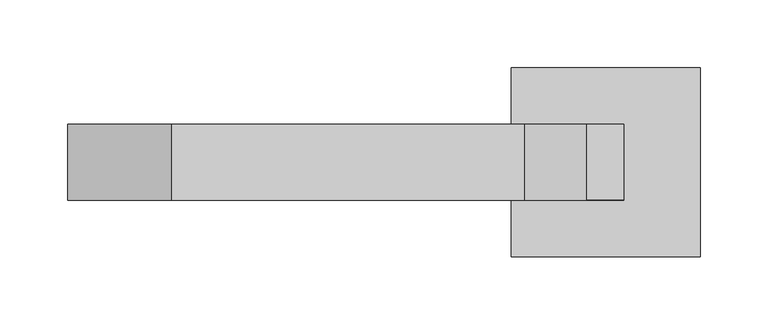
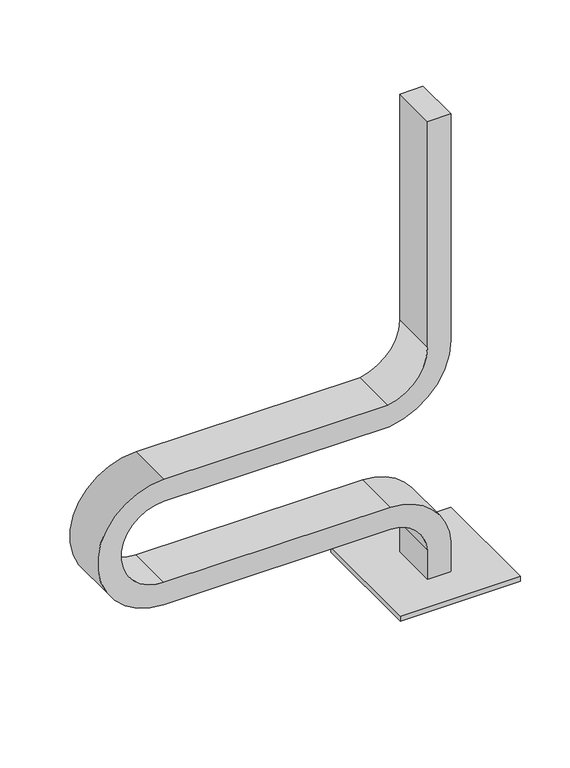
"""IFC4 building model written with IfcOpenShell, lengths in millimetres: furniture geometry."""

from ifc_helpers import new_model, si_unit, point, frame, frame_2d, origin, origin_with_axes, place, context, project, spatial, polyline, circle_curve, trimmed, segment, composite_curve, outline, extrude, source, transform, mapped, element, save
from ifc_brep_helpers import plane_surface, cylinder_surface, revolved_surface, advanced_brep


def furniture_b06c71f0(model_context):
    return source(origin(), model_context, "Body", "SolidModel", [
        extrude(outline(composite_curve([segment(trimmed(circle_curve(frame_2d((663.6014244, 58.0553319)), 4.978544), [point((658.6228804, 58.0553319))], [point((668.5799684, 58.0553319))], False, "CARTESIAN"), True, "CONTINUOUS"), segment(trimmed(circle_curve(frame_2d((663.6014244, 58.0553319)), 4.978544), [point((668.5799684, 58.0553319))], [point((658.6228804, 58.0553319))], False, "CARTESIAN"), True, "CONTINUOUS")], self_intersect=False)), origin_with_axes(), (0.0, 0.0, 1.0), 5.0),
        extrude(outline(composite_curve([segment(trimmed(circle_curve(frame_2d((779.5288601, 58.0553319)), 4.978544), [point((774.5503161, 58.0553319))], [point((784.5074041, 58.0553319))], False, "CARTESIAN"), True, "CONTINUOUS"), segment(trimmed(circle_curve(frame_2d((779.5288601, 58.0553319)), 4.978544), [point((784.5074041, 58.0553319))], [point((774.5503161, 58.0553319))], False, "CARTESIAN"), True, "CONTINUOUS")], self_intersect=False)), origin_with_axes(), (0.0, 0.0, 1.0), 5.0),
        extrude(outline(composite_curve([segment(trimmed(circle_curve(frame_2d((663.6014244, -58.0553319)), 4.978544), [point((658.6228804, -58.0553319))], [point((668.5799684, -58.0553319))], False, "CARTESIAN"), True, "CONTINUOUS"), segment(trimmed(circle_curve(frame_2d((663.6014244, -58.0553319)), 4.978544), [point((668.5799684, -58.0553319))], [point((658.6228804, -58.0553319))], False, "CARTESIAN"), True, "CONTINUOUS")], self_intersect=False)), origin_with_axes(), (0.0, 0.0, 1.0), 5.0),
        extrude(outline(composite_curve([segment(trimmed(circle_curve(frame_2d((779.5288601, -58.0553319)), 4.978544), [point((774.5503161, -58.0553319))], [point((784.5074041, -58.0553319))], False, "CARTESIAN"), True, "CONTINUOUS"), segment(trimmed(circle_curve(frame_2d((779.5288601, -58.0553319)), 4.978544), [point((784.5074041, -58.0553319))], [point((774.5503161, -58.0553319))], False, "CARTESIAN"), True, "CONTINUOUS")], self_intersect=False)), origin_with_axes(), (0.0, 0.0, 1.0), 5.0),
        extrude(outline(polyline([(791.5651422, 70.0), (791.5651422, -70.0), (651.5651422, -70.0), (651.5651422, 70.0), (791.5651422, 70.0)])), frame((0.0, 0.0, 5.0), z_axis=(0.0, 0.0, 1.0), x_axis=(1.0, 0.0, 0.0)), (0.0, 0.0, 1.0), 6.0),
        advanced_brep(
        [(707.4659827, -27.9558153, 11.0), (707.4659827, 27.9558153, 11.0), (734.6579846, 27.9558153, 11.0), (734.6579846, -27.9558153, 11.0), (707.4659827, -27.9558153, 47.0524338), (707.4659827, 27.9558153, 47.0524338), (734.6579846, 27.9558153, 47.8147532), (734.6579846, -27.9558153, 47.8147532), (664.287774, 27.9558153, 87.9015784), (664.287774, -27.9558153, 87.9015784), (664.513913, -27.9558153, 115.0926399), (664.513913, 27.9558153, 115.0926399), (400.0, -27.9558153, 87.9010908), (400.0, 27.9558153, 87.9010908), (400.0, 27.9558153, 115.0930927), (400.0, -27.9558153, 115.0930927), (400.0, 27.9558153, 242.0989092), (400.0, -27.9558153, 242.0989092), (400.0, -27.9558153, 214.9069073), (400.0, 27.9558153, 214.9069073), (661.0306629, -27.9558153, 242.0989092), (661.0306629, 27.9558153, 242.0989092), (663.0352709, 27.9558153, 214.9069073), (663.0352709, -27.9558153, 214.9069073), (707.4662451, 27.9558153, 296.4787195), (707.4662451, -27.9558153, 296.4787195), (734.6577283, 27.9558153, 296.3107738), (707.4659762, 27.9558153, 575.0), (734.6579781, 27.9558153, 575.0), (734.6577283, -27.9558153, 296.3107738), (734.6579781, -27.9558153, 575.0), (707.4659762, -27.9558153, 575.0)],
        [
            (0, 1),
            (1, 2),
            (2, 3),
            (3, 0),
            (0, 4),
            (4, 5),
            (5, 1),
            (2, 6),
            (6, 7),
            (7, 3),
            (8, 5, circle_curve(frame((663.9249333, 27.9558153, 44.2734439), z_axis=(0.0, 1.0, 0.0), x_axis=(0.9984653379141396, 0.0, 0.055380221956967894)), 43.6296433)),
            (4, 9, circle_curve(frame((663.9249333, -27.9558153, 44.2734439), z_axis=(0.0, -1.0, 0.0), x_axis=(0.9984653379141396, 0.0, 0.055380221956967894)), 43.6296433)),
            (9, 8),
            (10, 7, circle_curve(frame((663.9249333, -27.9558153, 44.2734439), z_axis=(0.0, 1.0, 0.0), x_axis=(0.9984653379141396, 0.0, 0.055380221956967894)), 70.8216452)),
            (6, 11, circle_curve(frame((663.9249333, 27.9558153, 44.2734439), z_axis=(0.0, -1.0, 0.0), x_axis=(0.9984653379141396, 0.0, 0.055380221956967894)), 70.8216452)),
            (11, 10),
            (9, 12),
            (12, 13),
            (13, 8),
            (11, 14),
            (14, 15),
            (15, 10),
            (16, 13, circle_curve(frame((400.0, 27.9558153, 165.0), z_axis=(0.0, -1.0, 0.0), x_axis=(0.0, 0.0, -1.0)), 77.0989092)),
            (12, 17, circle_curve(frame((400.0, -27.9558153, 165.0), z_axis=(0.0, 1.0, 0.0), x_axis=(0.0, 0.0, -1.0)), 77.0989092)),
            (17, 16),
            (18, 15, circle_curve(frame((400.0, -27.9558153, 165.0), z_axis=(0.0, -1.0, 0.0), x_axis=(0.0, 0.0, -1.0)), 49.9069073)),
            (14, 19, circle_curve(frame((400.0, 27.9558153, 165.0), z_axis=(0.0, 1.0, 0.0), x_axis=(0.0, 0.0, -1.0)), 49.9069073)),
            (19, 18),
            (17, 20),
            (20, 21),
            (21, 16),
            (19, 22),
            (22, 23),
            (23, 18),
            (24, 21, circle_curve(frame((652.0057332, 27.9558153, 296.8212662), z_axis=(0.0, 1.0, 0.0), x_axis=(0.14539904125885006, 0.0, -0.9893730938331643)), 55.4615697)),
            (20, 25, circle_curve(frame((652.0057332, -27.9558153, 296.8212662), z_axis=(0.0, -1.0, 0.0), x_axis=(0.14539904125885006, 0.0, -0.9893730938331643)), 55.4615697)),
            (25, 24),
            (26, 22, circle_curve(frame((652.0057332, 27.9558153, 296.8212662), z_axis=(0.0, 1.0, 0.0), x_axis=(0.14539904125885006, 0.0, -0.9893730938331643)), 82.6535716)),
            (24, 27),
            (27, 28),
            (28, 26),
            (29, 23, circle_curve(frame((652.0057332, -27.9558153, 296.8212662), z_axis=(0.0, 1.0, 0.0), x_axis=(0.14539904125885006, 0.0, -0.9893730938331643)), 82.6535716)),
            (26, 29),
            (29, 30),
            (30, 31),
            (31, 25),
            (30, 28),
            (27, 31),
        ],
        [
            plane_surface(frame((721.5648919, 0.0, 11.0), z_axis=(0.0, 0.0, -1.0), x_axis=(0.0, -1.0, 0.0))),
            plane_surface(frame((707.4659827, -27.9558153, 11.0), z_axis=(-1.0, 0.0, 0.0), x_axis=(0.0, 0.0, 1.0))),
            plane_surface(frame((734.6579846, 27.9558153, 11.0), z_axis=(1.0, 0.0, 0.0), x_axis=(0.0, 0.0, 1.0))),
            revolved_surface(polyline([(707.4876198406079, -27.9558153, 46.68966322985733), (707.4876198406079, 27.9558153, 46.68966322985733)]), (663.9249333, 0.0, 44.2734439), (0.0, -1.0, 0.0)),
            cylinder_surface(frame((663.9249333, 0.0, 44.2734439), z_axis=(0.0, -1.0, 0.0), x_axis=(0.9984653379141396, 0.0, 0.055380221956967894)), 70.8216452),
            plane_surface(frame((664.2877699, -27.9558153, 87.9010908), z_axis=(0.0, 0.0, -1.0), x_axis=(-1.0, 0.0, 0.0))),
            plane_surface(frame((664.5139168, 27.9558153, 115.0930927), z_axis=(0.0, 0.0, 1.0), x_axis=(-1.0, 0.0, 0.0))),
            cylinder_surface(frame((400.0, 0.0, 165.0), z_axis=(0.0, 1.0, 0.0), x_axis=(0.0, 0.0, -1.0)), 77.0989092),
            revolved_surface(polyline([(400.0, 27.9558153, 115.0930927), (400.0, -27.9558153, 115.0930927)]), (400.0, 0.0, 165.0), (0.0, 1.0, 0.0)),
            plane_surface(frame((400.0, -27.9558153, 242.0989092), z_axis=(0.0, 0.0, 1.0), x_axis=(1.0, 0.0, 0.0))),
            plane_surface(frame((400.0, 27.9558153, 214.9069073), z_axis=(0.0, 0.0, -1.0), x_axis=(1.0, 0.0, 0.0))),
            revolved_surface(polyline([(660.0697922610909, -27.9558153, 241.94908139706735), (660.0697922610909, 27.9558153, 241.94908139706735)]), (652.0057332, 0.0, 296.8212662), (0.0, -1.0, 0.0)),
            plane_surface(frame((652.0057332, 27.9558153, 296.8212662), z_axis=(0.0, 1.0, 0.0), x_axis=(0.14539904125885006, 0.0, -0.9893730938331643))),
            cylinder_surface(frame((652.0057332, 0.0, 296.8212662), z_axis=(0.0, -1.0, 0.0), x_axis=(0.14539904125885006, 0.0, -0.9893730938331643)), 82.6535716),
            plane_surface(frame((652.0057332, -27.9558153, 296.8212662), z_axis=(0.0, -1.0, 0.0), x_axis=(0.14539904125885006, 0.0, -0.9893730938331643))),
            plane_surface(frame((721.5648854, 0.0, 575.0), z_axis=(0.0, 0.0, 1.0), x_axis=(0.0, -1.0, 0.0))),
            plane_surface(frame((707.4659762, -27.9558153, 296.4787211), z_axis=(-1.0, 0.0, 0.0), x_axis=(0.0, 0.0, 1.0))),
            plane_surface(frame((734.6579781, 27.9558153, 296.3107723), z_axis=(1.0, 0.0, 0.0), x_axis=(0.0, 0.0, 1.0))),
        ],
        [
            (0, [[1, 2, 3, 4]]),
            (1, [[-1, 5, 6, 7]]),
            (2, [[-3, 8, 9, 10]]),
            (3, [[11, -6, 12, 13]]),
            (4, [[14, -9, 15, 16]]),
            (5, [[-13, 17, 18, 19]]),
            (6, [[-16, 20, 21, 22]]),
            (7, [[23, -18, 24, 25]]),
            (8, [[26, -21, 27, 28]]),
            (9, [[-25, 29, 30, 31]]),
            (10, [[-28, 32, 33, 34]]),
            (11, [[35, -30, 36, 37]]),
            (12, [[38, -32, -27, -20, -15, -8, -2, -7, -11, -19, -23, -31, -35, 39, 40, 41]]),
            (13, [[42, -33, -38, 43]]),
            (14, [[-36, -29, -24, -17, -12, -5, -4, -10, -14, -22, -26, -34, -42, 44, 45, 46]]),
            (15, [[-45, 47, -40, 48]]),
            (16, [[-37, -46, -48, -39]]),
            (17, [[-43, -41, -47, -44]]),
        ],
    ),
    ])


if __name__ == "__main__":
    model = new_model("IFC4")
    model_context = context("Model", 3, world=origin())
    ifc_project = project(units=[si_unit("LENGTHUNIT", "METRE", prefix="MILLI")], contexts=[model_context])
    site = spatial("IfcSite", under=ifc_project)
    building = spatial("IfcBuilding", under=site)
    placement = place(None, origin())
    furniture_shape = furniture_b06c71f0(model_context)
    element("IfcFurniture", 1, at=placement, inside=building, context=model_context, shape_type="MappedRepresentation", body=[
        mapped(furniture_shape, transform((0.0, 0.0, 0.0), x_axis=(1.0, 0.0, 0.0), y_axis=(0.0, 1.0, 0.0), z_axis=(0.0, 0.0, 1.0))),
    ])
    save(model, "model.ifc")
